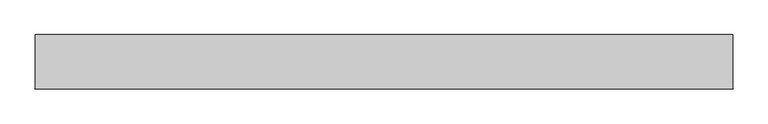
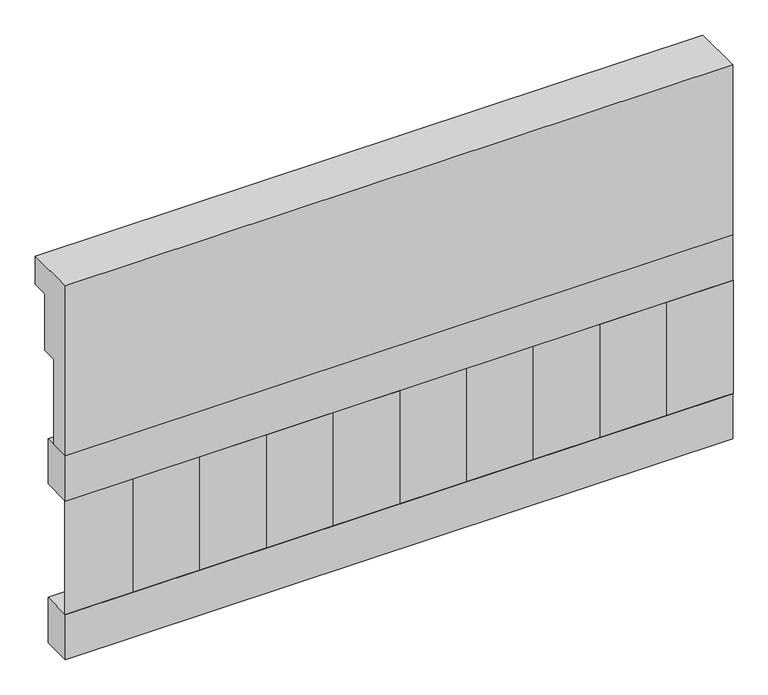
"""IFC4 building model written with IfcOpenShell, lengths in millimetres: railing geometry."""

from ifc_helpers import new_model, si_unit, frame, origin, place, context, project, spatial, polyline, outline, extrude, source, transform, mapped, element, save


def railing_251f6024(model_context):
    return source(origin(), model_context, "Body", "SweptSolid", [
        extrude(outline(polyline([(903.1079487, 15200.0), (1033.1079487, 15200.0), (1033.1079487, 15125.0), (993.1079487, 15125.0), (993.1079487, 14975.0), (953.1079487, 14975.0), (953.1079487, 14750.0), (903.1079487, 14750.0), (903.1079487, 15200.0)])), frame((39990.0112841, 0.0, 0.0), z_axis=(1.0, 0.0, 0.0), x_axis=(0.0, 1.0, 0.0)), (0.0, 0.0, 1.0), 1670.0),
        extrude(outline(polyline([(41660.0112841, 978.1079487), (41660.0112841, 903.1079487), (39990.0112841, 903.1079487), (39990.0112841, 978.1079487), (41660.0112841, 978.1079487)])), frame((0.0, 0.0, 14630.0), z_axis=(0.0, 0.0, 1.0), x_axis=(1.0, 0.0, 0.0)), (0.0, 0.0, 1.0), 120.0),
        extrude(outline(polyline([(41660.0112841, 978.1079487), (41660.0112841, 903.1079487), (39990.0112841, 903.1079487), (39990.0112841, 978.1079487), (41660.0112841, 978.1079487)])), frame((0.0, 0.0, 14210.0), z_axis=(0.0, 0.0, 1.0), x_axis=(1.0, 0.0, 0.0)), (0.0, 0.0, 1.0), 120.0),
        extrude(outline(polyline([(40073.5112841, 987.9607624), (40158.3640978, 903.1079487), (39988.6584704, 903.1079487), (40073.5112841, 987.9607624)])), frame((0.0, 0.0, 14330.0), z_axis=(0.0, 0.0, 1.0), x_axis=(1.0, 0.0, 0.0)), (0.0, 0.0, 1.0), 300.0),
        extrude(outline(polyline([(40240.5112841, 987.9607624), (40325.3640978, 903.1079487), (40155.6584704, 903.1079487), (40240.5112841, 987.9607624)])), frame((0.0, 0.0, 14330.0), z_axis=(0.0, 0.0, 1.0), x_axis=(1.0, 0.0, 0.0)), (0.0, 0.0, 1.0), 300.0),
        extrude(outline(polyline([(40407.5112841, 987.9607624), (40492.3640978, 903.1079487), (40322.6584704, 903.1079487), (40407.5112841, 987.9607624)])), frame((0.0, 0.0, 14330.0), z_axis=(0.0, 0.0, 1.0), x_axis=(1.0, 0.0, 0.0)), (0.0, 0.0, 1.0), 300.0),
        extrude(outline(polyline([(40574.5112841, 987.9607624), (40659.3640978, 903.1079487), (40489.6584704, 903.1079487), (40574.5112841, 987.9607624)])), frame((0.0, 0.0, 14330.0), z_axis=(0.0, 0.0, 1.0), x_axis=(1.0, 0.0, 0.0)), (0.0, 0.0, 1.0), 300.0),
        extrude(outline(polyline([(40741.5112841, 987.9607624), (40826.3640978, 903.1079487), (40656.6584704, 903.1079487), (40741.5112841, 987.9607624)])), frame((0.0, 0.0, 14330.0), z_axis=(0.0, 0.0, 1.0), x_axis=(1.0, 0.0, 0.0)), (0.0, 0.0, 1.0), 300.0),
        extrude(outline(polyline([(40908.5112841, 987.9607624), (40993.3640978, 903.1079487), (40823.6584704, 903.1079487), (40908.5112841, 987.9607624)])), frame((0.0, 0.0, 14330.0), z_axis=(0.0, 0.0, 1.0), x_axis=(1.0, 0.0, 0.0)), (0.0, 0.0, 1.0), 300.0),
        extrude(outline(polyline([(41075.5112841, 987.9607624), (41160.3640978, 903.1079487), (40990.6584704, 903.1079487), (41075.5112841, 987.9607624)])), frame((0.0, 0.0, 14330.0), z_axis=(0.0, 0.0, 1.0), x_axis=(1.0, 0.0, 0.0)), (0.0, 0.0, 1.0), 300.0),
        extrude(outline(polyline([(41242.5112841, 987.9607624), (41327.3640978, 903.1079487), (41157.6584704, 903.1079487), (41242.5112841, 987.9607624)])), frame((0.0, 0.0, 14330.0), z_axis=(0.0, 0.0, 1.0), x_axis=(1.0, 0.0, 0.0)), (0.0, 0.0, 1.0), 300.0),
        extrude(outline(polyline([(41409.5112841, 987.9607624), (41494.3640978, 903.1079487), (41324.6584704, 903.1079487), (41409.5112841, 987.9607624)])), frame((0.0, 0.0, 14330.0), z_axis=(0.0, 0.0, 1.0), x_axis=(1.0, 0.0, 0.0)), (0.0, 0.0, 1.0), 300.0),
        extrude(outline(polyline([(41576.5112841, 987.9607624), (41661.3640978, 903.1079487), (41491.6584704, 903.1079487), (41576.5112841, 987.9607624)])), frame((0.0, 0.0, 14330.0), z_axis=(0.0, 0.0, 1.0), x_axis=(1.0, 0.0, 0.0)), (0.0, 0.0, 1.0), 300.0),
    ])


if __name__ == "__main__":
    model = new_model("IFC4")
    model_context = context("Model", 3, world=origin())
    ifc_project = project(units=[si_unit("LENGTHUNIT", "METRE", prefix="MILLI")], contexts=[model_context])
    site = spatial("IfcSite", under=ifc_project)
    building = spatial("IfcBuilding", under=site)
    placement = place(None, origin())
    railing_shape = railing_251f6024(model_context)
    element("IfcRailing", 1, at=placement, inside=building, context=model_context, shape_type="MappedRepresentation", body=[
        mapped(railing_shape, transform((0.0, 0.0, 0.0), x_axis=(1.0, 0.0, 0.0), y_axis=(0.0, 1.0, 0.0), z_axis=(0.0, 0.0, 1.0))),
    ])
    save(model, "model.ifc")
